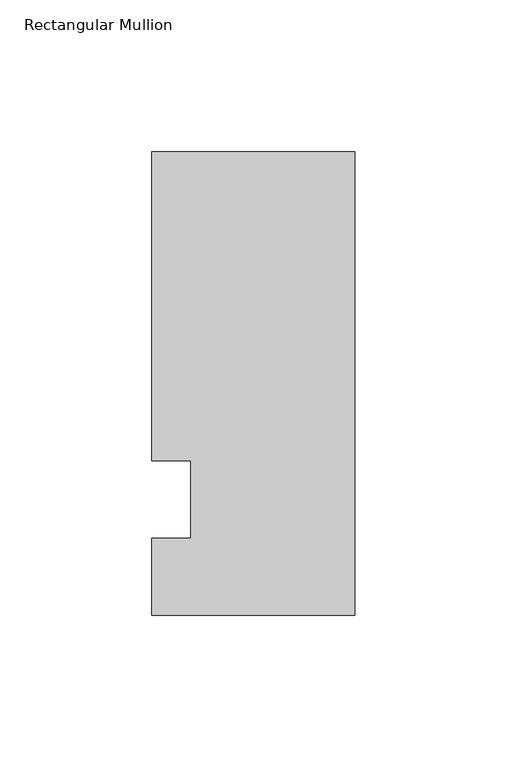
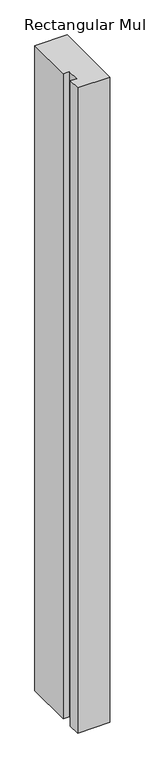
"""IFC4 building model written with IfcOpenShell, lengths in millimetres: member geometry, Rectangular Mullion."""

from ifc_helpers import new_model, si_unit, frame, origin, place, context, project, spatial, polyline, outline, extrude, source, transform, mapped, element, save


def rectangular_mullion_1b18b8d0(model_context):
    return source(origin(), model_context, "Body", "SweptSolid", [
        extrude(outline(polyline([(-66.675, 114.3), (0.0, 114.3), (0.0, -38.1), (-66.675, -38.1), (-66.675, -12.7), (-53.9732296, -12.7), (-53.9732296, 12.7), (-66.675, 12.7), (-66.675, 114.3)])), frame((0.0, 0.0, -1407.482264), z_axis=(0.0, 0.0, 1.0), x_axis=(1.0, 0.0, 0.0)), (0.0, 0.0, 1.0), 1407.482264),
    ])


if __name__ == "__main__":
    model = new_model("IFC4")
    model_context = context("Model", 3, world=origin())
    ifc_project = project(units=[si_unit("LENGTHUNIT", "METRE", prefix="MILLI")], contexts=[model_context])
    site = spatial("IfcSite", under=ifc_project)
    building = spatial("IfcBuilding", under=site)
    placement = place(None, origin())
    rectangular_mullion_shape = rectangular_mullion_1b18b8d0(model_context)
    element("IfcMember", 1, ObjectType="Rectangular Mullion", at=placement, inside=building, context=model_context, shape_type="MappedRepresentation", body=[
        mapped(rectangular_mullion_shape, transform((0.0, 0.0, 0.0), x_axis=(1.0, 0.0, 0.0), y_axis=(0.0, 1.0, 0.0), z_axis=(0.0, 0.0, 1.0))),
    ])
    save(model, "model.ifc")
